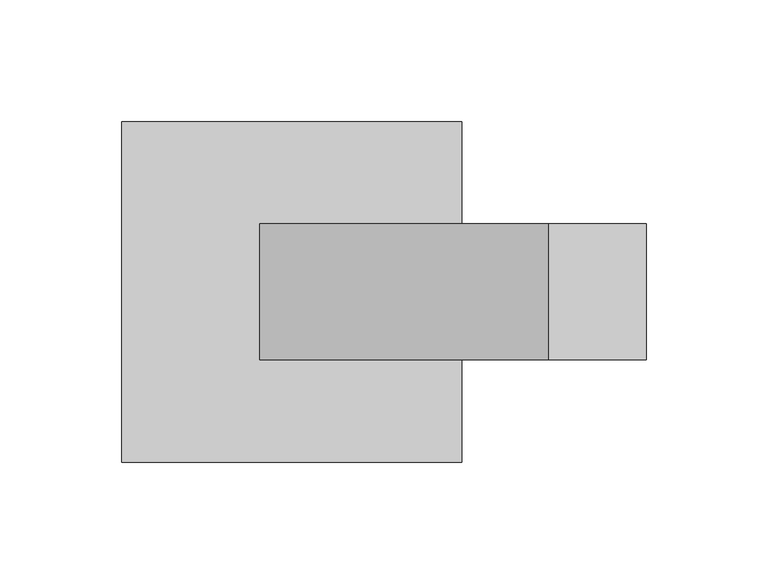
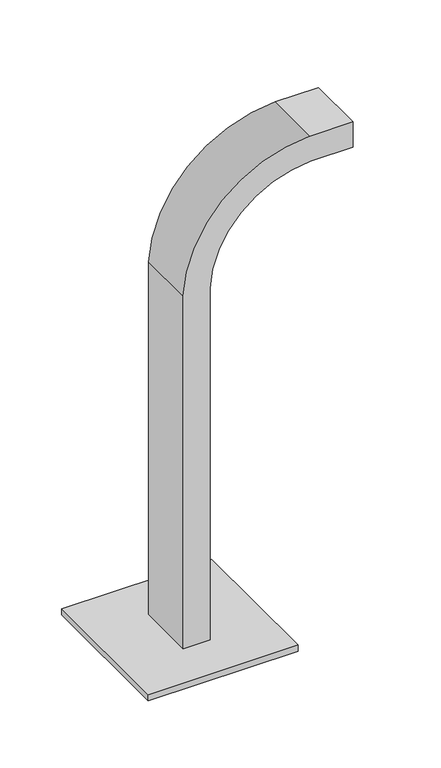
"""IFC4 building model written with IfcOpenShell, lengths in millimetres: furniture geometry."""

from ifc_helpers import new_model, si_unit, point, frame, frame_2d, origin, origin_with_axes, place, context, project, spatial, polyline, circle_curve, trimmed, segment, composite_curve, outline, extrude, source, transform, mapped, element, save


def furniture_433ed076(model_context):
    return source(origin(), model_context, "Body", "SweptSolid", [
        extrude(outline(composite_curve([segment(polyline([(359.4420469, -583.0547414), (11.0, -583.0547414), (11.0, -558.0547414), (358.7575366, -558.0547414)]), True, "CONTINUOUS"), segment(trimmed(circle_curve(frame_2d((353.0696692, -460.1651072)), 98.0547414), [point((358.7575366, -558.0547414))], [point((451.0547414, -463.8607731))], True, "CARTESIAN"), True, "CONTINUOUS"), segment(polyline([(451.0547414, -463.8607731), (451.0547414, -424.0794885), (476.0547414, -424.0794885), (476.0547414, -464.3053257)]), True, "CONTINUOUS"), segment(trimmed(circle_curve(frame_2d((353.0696692, -460.1651072)), 123.0547414), [point((476.0547414, -464.3053257))], [point((359.4420469, -583.0547414))], False, "CARTESIAN"), True, "CONTINUOUS")], self_intersect=False)), frame((0.0, -27.920928, 0.0), z_axis=(0.0, 1.0, 0.0), x_axis=(0.0, 0.0, 1.0)), (0.0, 0.0, 1.0), 55.8418559),
        extrude(outline(composite_curve([segment(trimmed(circle_curve(frame_2d((-628.0500045, -58.0314537)), 5.0), [point((-633.0500045, -58.0314537))], [point((-623.0500045, -58.0314537))], False, "CARTESIAN"), True, "CONTINUOUS"), segment(trimmed(circle_curve(frame_2d((-628.0500045, -58.0314537)), 5.0), [point((-623.0500045, -58.0314537))], [point((-633.0500045, -58.0314537))], False, "CARTESIAN"), True, "CONTINUOUS")], self_intersect=False)), origin_with_axes(), (0.0, 0.0, 1.0), 5.0),
        extrude(outline(composite_curve([segment(trimmed(circle_curve(frame_2d((-511.9499955, -58.0314537)), 5.0), [point((-516.9499955, -58.0314537))], [point((-506.9499955, -58.0314537))], False, "CARTESIAN"), True, "CONTINUOUS"), segment(trimmed(circle_curve(frame_2d((-511.9499955, -58.0314537)), 5.0), [point((-506.9499955, -58.0314537))], [point((-516.9499955, -58.0314537))], False, "CARTESIAN"), True, "CONTINUOUS")], self_intersect=False)), origin_with_axes(), (0.0, 0.0, 1.0), 5.0),
        extrude(outline(composite_curve([segment(trimmed(circle_curve(frame_2d((-628.0500045, 58.0314537)), 5.0), [point((-633.0500045, 58.0314537))], [point((-623.0500045, 58.0314537))], False, "CARTESIAN"), True, "CONTINUOUS"), segment(trimmed(circle_curve(frame_2d((-628.0500045, 58.0314537)), 5.0), [point((-623.0500045, 58.0314537))], [point((-633.0500045, 58.0314537))], False, "CARTESIAN"), True, "CONTINUOUS")], self_intersect=False)), origin_with_axes(), (0.0, 0.0, 1.0), 5.0),
        extrude(outline(composite_curve([segment(trimmed(circle_curve(frame_2d((-511.9499955, 58.0314537)), 5.0), [point((-516.9499955, 58.0314537))], [point((-506.9499955, 58.0314537))], False, "CARTESIAN"), True, "CONTINUOUS"), segment(trimmed(circle_curve(frame_2d((-511.9499955, 58.0314537)), 5.0), [point((-506.9499955, 58.0314537))], [point((-516.9499955, 58.0314537))], False, "CARTESIAN"), True, "CONTINUOUS")], self_intersect=False)), origin_with_axes(), (0.0, 0.0, 1.0), 5.0),
        extrude(outline(polyline([(-500.0, -70.0), (-640.0, -70.0), (-640.0, 70.0), (-500.0, 70.0), (-500.0, -70.0)])), frame((0.0, 0.0, 5.0), z_axis=(0.0, 0.0, 1.0), x_axis=(1.0, 0.0, 0.0)), (0.0, 0.0, 1.0), 6.0),
    ])


if __name__ == "__main__":
    model = new_model("IFC4")
    model_context = context("Model", 3, world=origin())
    ifc_project = project(units=[si_unit("LENGTHUNIT", "METRE", prefix="MILLI")], contexts=[model_context])
    site = spatial("IfcSite", under=ifc_project)
    building = spatial("IfcBuilding", under=site)
    placement = place(None, origin())
    furniture_shape = furniture_433ed076(model_context)
    element("IfcFurniture", 1, at=placement, inside=building, context=model_context, shape_type="MappedRepresentation", body=[
        mapped(furniture_shape, transform((0.0, 0.0, 0.0), x_axis=(1.0, 0.0, 0.0), y_axis=(0.0, 1.0, 0.0), z_axis=(0.0, 0.0, 1.0))),
    ])
    save(model, "model.ifc")
